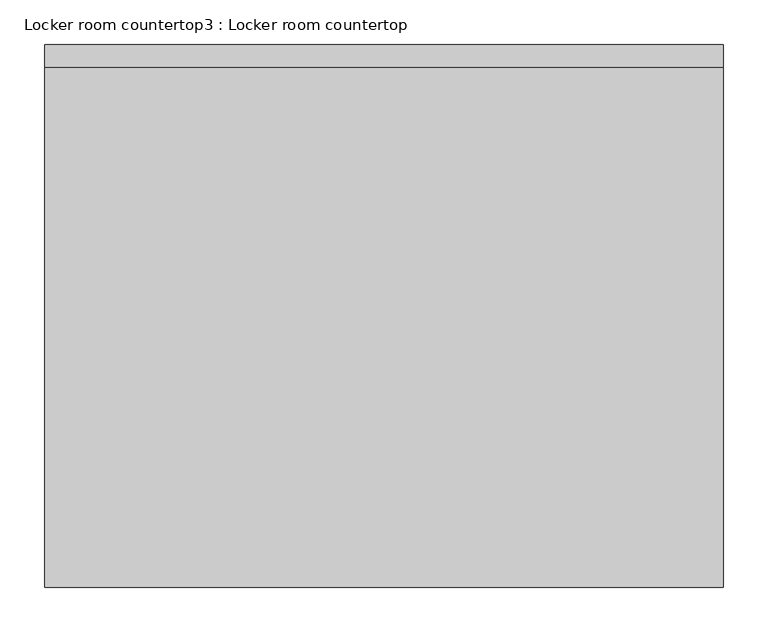
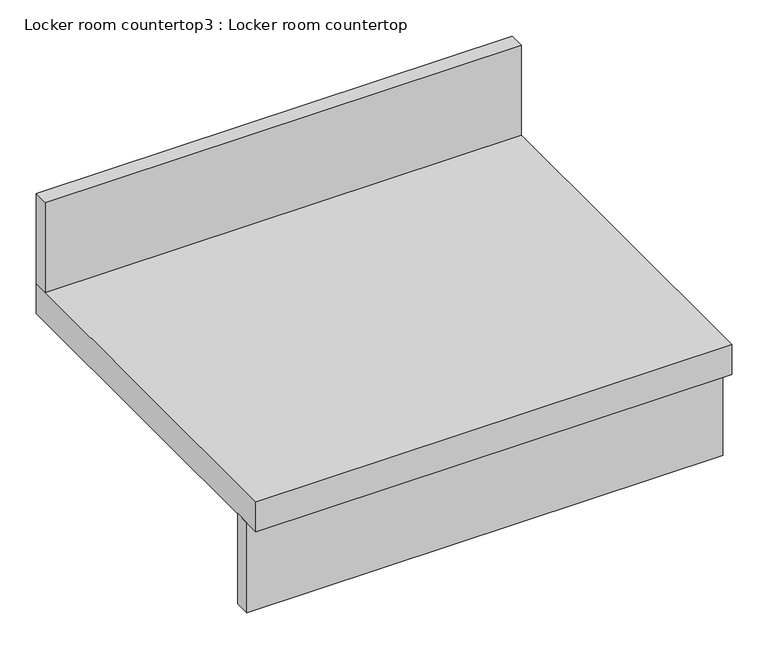
"""IFC4 building model written with IfcOpenShell, lengths in millimetres: furniture geometry, Locker room countertop3 : Locker room countertop."""

from ifc_helpers import new_model, si_unit, frame, origin, place, context, project, spatial, polyline, outline, extrude, source, transform, mapped, element, save


def locker_room_countertop3_locker_room_countertop_0dbe333a(model_context):
    return source(origin(), model_context, "Body", "SweptSolid", [
        extrude(outline(polyline([(454658.2004676, -361372.9238632), (453896.2004676, -361372.9238632), (453896.2004676, -361347.5238632), (454658.2004676, -361347.5238632), (454658.2004676, -361372.9238632)])), frame((0.0, 0.0, 660.4), z_axis=(0.0, 0.0, 1.0), x_axis=(1.0, 0.0, 0.0)), (0.0, 0.0, 1.0), 152.4),
        extrude(outline(polyline([(453896.2004676, -360814.1238632), (453896.2004676, -360788.7238632), (454658.2004676, -360788.7238632), (454658.2004676, -360814.1238632), (453896.2004676, -360814.1238632)])), frame((0.0, 0.0, 863.6), z_axis=(0.0, 0.0, 1.0), x_axis=(1.0, 0.0, 0.0)), (0.0, 0.0, 1.0), 152.4),
        extrude(outline(polyline([(453896.2004676, -361398.3238632), (453896.2004676, -360788.7238632), (454658.2004676, -360788.7238632), (454658.2004676, -361398.3238632), (453896.2004676, -361398.3238632)])), frame((0.0, 0.0, 812.8), z_axis=(0.0, 0.0, 1.0), x_axis=(1.0, 0.0, 0.0)), (0.0, 0.0, 1.0), 50.8),
    ])


if __name__ == "__main__":
    model = new_model("IFC4")
    model_context = context("Model", 3, world=origin())
    ifc_project = project(units=[si_unit("LENGTHUNIT", "METRE", prefix="MILLI")], contexts=[model_context])
    site = spatial("IfcSite", under=ifc_project)
    building = spatial("IfcBuilding", under=site)
    placement = place(None, origin())
    locker_room_countertop3_locker_room_countertop_shape = locker_room_countertop3_locker_room_countertop_0dbe333a(model_context)
    element("IfcFurniture", 1, ObjectType="Locker room countertop3 : Locker room countertop", at=placement, inside=building, context=model_context, shape_type="MappedRepresentation", body=[
        mapped(locker_room_countertop3_locker_room_countertop_shape, transform((0.0, 0.0, 0.0), x_axis=(1.0, 0.0, 0.0), y_axis=(0.0, 1.0, 0.0), z_axis=(0.0, 0.0, 1.0))),
    ])
    save(model, "model.ifc")
